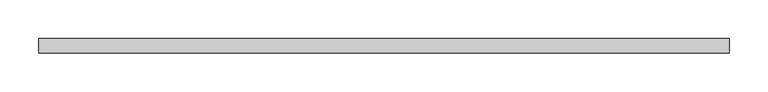
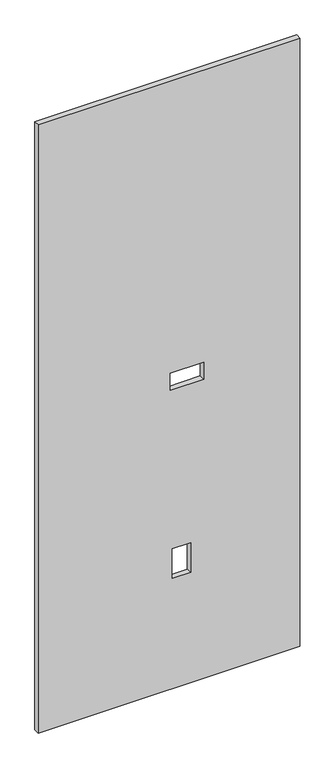
"""IFC4 building model written with IfcOpenShell, lengths in millimetres: proxy geometry."""

from ifc_helpers import new_model, si_unit, frame, origin, place, context, project, spatial, polyline, outline, extrude, source, transform, mapped, element, save


def specialty_equipment_bbefef24(model_context):
    return source(origin(), model_context, "Body", "SweptSolid", [
        extrude(outline(polyline([(2206.625, 448.1315163), (2206.625, -448.1315163), (3.175, -448.1315163), (3.175, 448.1315163), (2206.625, 448.1315163)]), holes=[polyline([(509.0668, 74.295), (402.3868, 74.295), (402.3868, 12.065), (509.0668, 12.065), (509.0668, 74.295)]), polyline([(1148.715, 118.872), (1086.485, 118.872), (1086.485, 4.064), (1148.715, 4.064), (1148.715, 118.872)])]), frame((0.0, -9.525, 0.0), z_axis=(0.0, 1.0, 0.0), x_axis=(0.0, 0.0, 1.0)), (0.0, 0.0, 1.0), 19.05),
    ])


if __name__ == "__main__":
    model = new_model("IFC4")
    model_context = context("Model", 3, world=origin())
    ifc_project = project(units=[si_unit("LENGTHUNIT", "METRE", prefix="MILLI")], contexts=[model_context])
    site = spatial("IfcSite", under=ifc_project)
    building = spatial("IfcBuilding", under=site)
    placement = place(None, origin())
    specialty_equipment_shape = specialty_equipment_bbefef24(model_context)
    element("IfcBuildingElementProxy", 1, Name="Specialty Equipment", at=placement, inside=building, context=model_context, shape_type="MappedRepresentation", body=[
        mapped(specialty_equipment_shape, transform((0.0, 0.0, 0.0), x_axis=(1.0, 0.0, 0.0), y_axis=(0.0, 1.0, 0.0), z_axis=(0.0, 0.0, 1.0))),
    ])
    save(model, "model.ifc")
